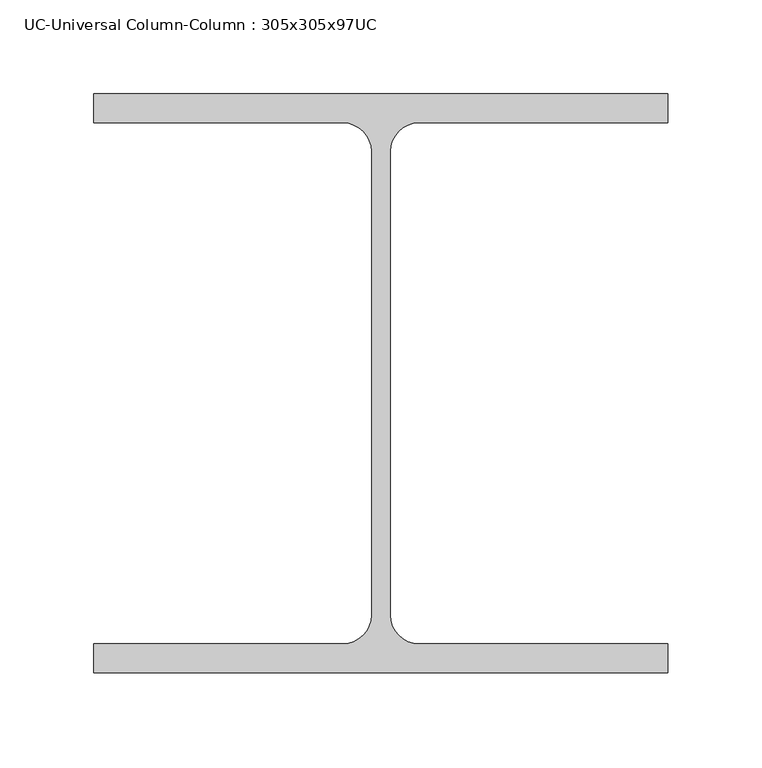
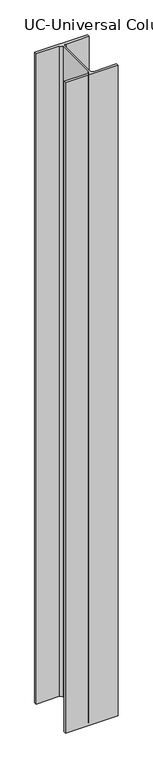
"""IFC4 building model written with IfcOpenShell, lengths in millimetres: column geometry, UC-Universal Column-Column : 305x305x97UC."""

from ifc_helpers import new_model, si_unit, point, frame, frame_2d, origin, place, context, project, spatial, polyline, circle_curve, trimmed, segment, composite_curve, outline, extrude, source, transform, mapped, element, save


def uc_universal_column_column_305x305x97uc_09593c02(model_context):
    return source(origin(), model_context, "Body", "SweptSolid", [
        extrude(outline(composite_curve([segment(polyline([(152.65, 153.95), (152.65, 138.55), (20.15, 138.55)]), True, "CONTINUOUS"), segment(trimmed(circle_curve(frame_2d((20.15, 123.35)), 15.2), [point((20.15, 138.55))], [point((4.95, 123.35))], True, "CARTESIAN"), True, "CONTINUOUS"), segment(polyline([(4.95, 123.35), (4.95, -123.35)]), True, "CONTINUOUS"), segment(trimmed(circle_curve(frame_2d((20.15, -123.35)), 15.2), [point((4.95, -123.35))], [point((20.15, -138.55))], True, "CARTESIAN"), True, "CONTINUOUS"), segment(polyline([(20.15, -138.55), (152.65, -138.55), (152.65, -153.95), (-152.65, -153.95), (-152.65, -138.55), (-20.15, -138.55)]), True, "CONTINUOUS"), segment(trimmed(circle_curve(frame_2d((-20.15, -123.35)), 15.2), [point((-20.15, -138.55))], [point((-4.95, -123.35))], True, "CARTESIAN"), True, "CONTINUOUS"), segment(polyline([(-4.95, -123.35), (-4.95, 123.35)]), True, "CONTINUOUS"), segment(trimmed(circle_curve(frame_2d((-20.15, 123.35)), 15.2), [point((-4.95, 123.35))], [point((-20.15, 138.55))], True, "CARTESIAN"), True, "CONTINUOUS"), segment(polyline([(-20.15, 138.55), (-152.65, 138.55), (-152.65, 153.95), (152.65, 153.95)]), True, "CONTINUOUS")], self_intersect=False)), frame((0.0, 0.0, 3975.0), z_axis=(0.0, 0.0, 1.0), x_axis=(1.0, 0.0, 0.0)), (0.0, 0.0, 1.0), 3975.0),
    ])


if __name__ == "__main__":
    model = new_model("IFC4")
    model_context = context("Model", 3, world=origin())
    ifc_project = project(units=[si_unit("LENGTHUNIT", "METRE", prefix="MILLI")], contexts=[model_context])
    site = spatial("IfcSite", under=ifc_project)
    building = spatial("IfcBuilding", under=site)
    placement = place(None, origin())
    uc_universal_column_column_305x305x97uc_shape = uc_universal_column_column_305x305x97uc_09593c02(model_context)
    element("IfcColumn", 1, ObjectType="UC-Universal Column-Column : 305x305x97UC", at=placement, inside=building, context=model_context, shape_type="MappedRepresentation", body=[
        mapped(uc_universal_column_column_305x305x97uc_shape, transform((0.0, 0.0, 0.0), x_axis=(1.0, 0.0, 0.0), y_axis=(0.0, 1.0, 0.0), z_axis=(0.0, 0.0, 1.0))),
    ])
    save(model, "model.ifc")
